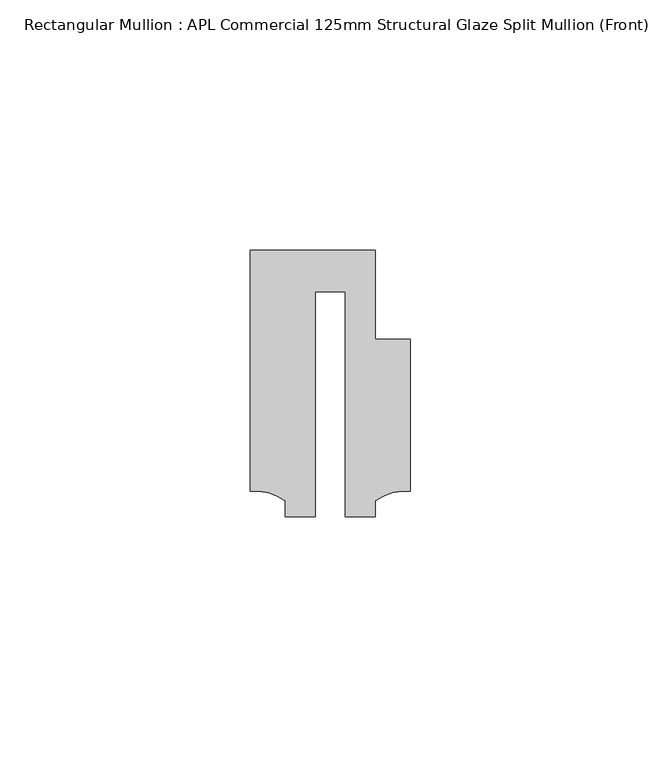
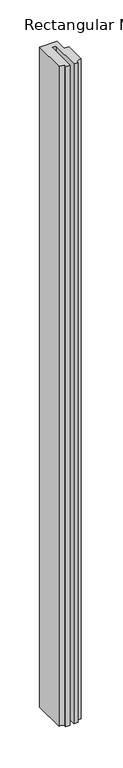
"""IFC4 building model written with IfcOpenShell, lengths in millimetres: member geometry, Rectangular Mullion : APL Commercial 125mm Structural Glaze Split Mullion (Front)."""

from ifc_helpers import new_model, si_unit, point, frame, frame_2d, origin, place, context, project, spatial, polyline, circle_curve, trimmed, segment, composite_curve, outline, extrude, source, transform, mapped, element, save


def rectangular_mullion_apl_commercial_125mm_structural_glaze_06a0b8b4(model_context):
    return source(origin(), model_context, "Body", "SweptSolid", [
        extrude(outline(composite_curve([segment(polyline([(15.9999391, 14.9953356), (15.9999391, -15.3837352)]), True, "CONTINUOUS"), segment(trimmed(circle_curve(frame_2d((15.1098019, -25.802169)), 10.4563907), [point((15.9999391, -15.3837352))], [point((8.9999842, -17.3165203))], True, "CARTESIAN"), True, "CONTINUOUS"), segment(polyline([(8.9999842, -17.3165203), (8.9999842, -20.5039877), (2.9999676, -20.5039877), (2.9999676, 24.5130805), (-2.9999659, 24.5130805), (-2.9999659, -20.5039877), (-8.9999842, -20.5039877), (-8.9999842, -17.3165203)]), True, "CONTINUOUS"), segment(trimmed(circle_curve(frame_2d((-15.1098019, -25.802169)), 10.4563907), [point((-8.9999842, -17.3165203))], [point((-15.9999391, -15.3837352))], True, "CARTESIAN"), True, "CONTINUOUS"), segment(polyline([(-15.9999391, -15.3837352), (-15.9999391, 32.7960123), (9.0, 32.7960123), (9.0, 14.9953356), (15.9999391, 14.9953356)]), True, "CONTINUOUS")], self_intersect=False)), frame((0.0, 0.0, -1010.8319349), z_axis=(0.0, 0.0, 1.0), x_axis=(1.0, 0.0, 0.0)), (0.0, 0.0, 1.0), 1010.8319349),
    ])


if __name__ == "__main__":
    model = new_model("IFC4")
    model_context = context("Model", 3, world=origin())
    ifc_project = project(units=[si_unit("LENGTHUNIT", "METRE", prefix="MILLI")], contexts=[model_context])
    site = spatial("IfcSite", under=ifc_project)
    building = spatial("IfcBuilding", under=site)
    placement = place(None, origin())
    rectangular_mullion_apl_commercial_125mm_structural_glaze_shape = rectangular_mullion_apl_commercial_125mm_structural_glaze_06a0b8b4(model_context)
    element("IfcMember", 1, ObjectType="Rectangular Mullion : APL Commercial 125mm Structural Glaze Split Mullion (Front)", at=placement, inside=building, context=model_context, shape_type="MappedRepresentation", body=[
        mapped(rectangular_mullion_apl_commercial_125mm_structural_glaze_shape, transform((0.0, 0.0, 0.0), x_axis=(1.0, 0.0, 0.0), y_axis=(0.0, 1.0, 0.0), z_axis=(0.0, 0.0, 1.0))),
    ])
    save(model, "model.ifc")
